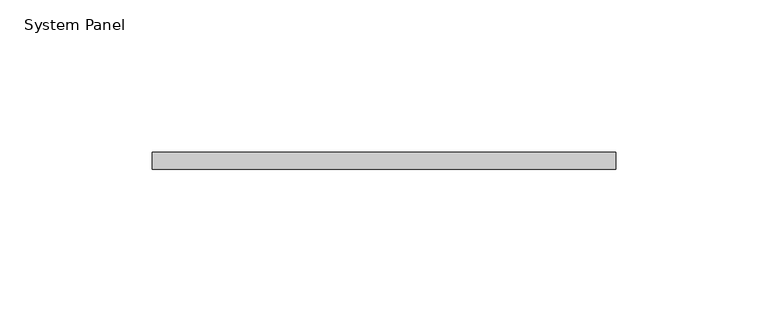
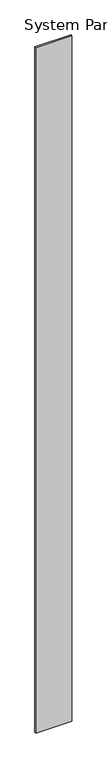
"""IFC4 building model written with IfcOpenShell, lengths in millimetres: plate geometry, System Panel."""

import ifcopenshell
import ifcopenshell.guid

model = None  # the IFC model being written
_history = None  # IfcOwnerHistory: only IFC2X3 demands one
_inside = {}  # id of a spatial element -> (the spatial element, [elements in it])
_under = {}  # id of a project, library or spatial element -> (it, [spatial elements below it])
_declared = {}  # id of a project -> (the project, [libraries it declares])
_typed = {}  # id of a type object -> (the type object, [elements of that type])
_made_of = {}  # id of a material, layer set ... -> (it, [elements and type objects made of it])


def new_model(schema):
    """Start an empty IFC model of exactly this schema.

    Asked for "IFC4X3", IfcOpenShell would pick the latest addendum, in which some entities
    have other attributes; the version numbers below select the first issue.
    IFC2X3 requires an IfcOwnerHistory on every rooted entity: one is made here for all.
    """
    global model, _history
    if schema == "IFC4X3":
        model = ifcopenshell.file(schema_version=(4, 3, 0, 0))
    else:
        model = ifcopenshell.file(schema=schema)
    _inside.clear()
    _under.clear()
    _declared.clear()
    _typed.clear()
    _made_of.clear()
    _history = None
    if model.schema == "IFC2X3":
        org = make("IfcOrganization", Name="unknown")
        user = make(
            "IfcPersonAndOrganization",
            ThePerson=make("IfcPerson", FamilyName="unknown"),
            TheOrganization=org,
        )
        app = make(
            "IfcApplication",
            ApplicationDeveloper=org,
            Version="unknown",
            ApplicationFullName="unknown",
            ApplicationIdentifier="unknown",
        )
        _history = make(
            "IfcOwnerHistory",
            OwningUser=user,
            OwningApplication=app,
            ChangeAction="ADDED",
            CreationDate=0,
        )
    return model


def make(cls, **values):
    """One entity of the class cls with the attributes given. An attribute that is None is left unset."""
    return model.create_entity(
        cls, **{name: value for name, value in values.items() if value is not None}
    )


def rooted(cls, **values):
    """An entity with a GlobalId (a new one), such as an element, a storey or a relation."""
    return make(cls, GlobalId=ifcopenshell.guid.new(), OwnerHistory=_history, **values)


def si_unit(unit_type, name, prefix=None):
    """IfcSIUnit, for example si_unit("LENGTHUNIT", "METRE", prefix="MILLI")."""
    return make("IfcSIUnit", UnitType=unit_type, Prefix=prefix, Name=name)


def assignment(units):
    """IfcUnitAssignment: the units of a project."""
    return None if units is None else make("IfcUnitAssignment", Units=units)


def point(xyz):
    """IfcCartesianPoint."""
    return None if xyz is None else make("IfcCartesianPoint", Coordinates=xyz)


def direction(xyz):
    """IfcDirection."""
    return None if xyz is None else make("IfcDirection", DirectionRatios=xyz)


def frame(location, z_axis=None, x_axis=None):
    """IfcAxis2Placement3D, a coordinate frame: its origin and axes. An axis left out is left unset."""
    return make(
        "IfcAxis2Placement3D",
        Location=point(location),
        Axis=direction(z_axis),
        RefDirection=direction(x_axis),
    )


def origin():
    """The frame at (0, 0, 0) with its axes left unset."""
    return frame((0.0, 0.0, 0.0))


def origin_with_axes():
    """The frame at (0, 0, 0) with the z axis (0, 0, 1) and the x axis (1, 0, 0) written out."""
    return frame((0.0, 0.0, 0.0), z_axis=(0.0, 0.0, 1.0), x_axis=(1.0, 0.0, 0.0))


def place(relative_to, where):
    """IfcLocalPlacement: puts the frame where relative to a parent placement (None: the world)."""
    return make(
        "IfcLocalPlacement", PlacementRelTo=relative_to, RelativePlacement=where
    )


def context(
    kind, dimensions, precision=None, world=None, true_north=None, identifier=None
):
    """IfcGeometricRepresentationContext, for example the 3D "Model" context."""
    return make(
        "IfcGeometricRepresentationContext",
        ContextIdentifier=identifier,
        ContextType=kind,
        CoordinateSpaceDimension=dimensions,
        Precision=precision,
        WorldCoordinateSystem=world,
        TrueNorth=true_north,
    )


def project(units=None, contexts=None):
    """IfcProject with its units and contexts."""
    return rooted(
        "IfcProject",
        Name="project",
        RepresentationContexts=contexts,
        UnitsInContext=assignment(units),
    )


def spatial(cls, under=None, at=None, **own):
    """A site, building, storey or space (cls), placed at a placement, below another one or the project."""
    s = rooted(cls, ObjectPlacement=at, **own)
    if under is not None:
        _under.setdefault(under.id(), (under, []))[1].append(s)
    return s


def polyline(points):
    """IfcPolyline through the points."""
    return make("IfcPolyline", Points=[point(p) for p in points])


def outline(outer, holes=None, kind="AREA"):
    """IfcArbitraryClosedProfileDef: a profile drawn as a closed curve; with holes, ...WithVoids."""
    if holes is None:
        return make("IfcArbitraryClosedProfileDef", ProfileType=kind, OuterCurve=outer)
    return make(
        "IfcArbitraryProfileDefWithVoids",
        ProfileType=kind,
        OuterCurve=outer,
        InnerCurves=holes,
    )


def extrude(swept, where, along, depth):
    """IfcExtrudedAreaSolid: the profile swept, set in the frame where, extruded along a direction by depth."""
    return make(
        "IfcExtrudedAreaSolid",
        SweptArea=swept,
        Position=where,
        ExtrudedDirection=direction(along),
        Depth=depth,
    )


def shape(context_of_items, identifier, shape_type, items):
    """IfcShapeRepresentation: the items that make up one representation, for example the "Body"."""
    return make(
        "IfcShapeRepresentation",
        ContextOfItems=context_of_items,
        RepresentationIdentifier=identifier,
        RepresentationType=shape_type,
        Items=items,
    )


def source(mapping_origin, context_of_items, identifier, shape_type, items):
    """IfcRepresentationMap: a shape defined once, which mapped items show again and again."""
    return make(
        "IfcRepresentationMap",
        MappingOrigin=mapping_origin,
        MappedRepresentation=shape(context_of_items, identifier, shape_type, items),
    )


def transform(
    local_origin,
    x_axis=None,
    y_axis=None,
    z_axis=None,
    scale=None,
    scale2=None,
    scale3=None,
    uniform=True,
):
    """IfcCartesianTransformationOperator3D, or its non-uniform kind. x_axis, y_axis, z_axis: its Axis1, 2, 3."""
    if uniform:
        return make(
            "IfcCartesianTransformationOperator3D",
            Axis1=direction(x_axis),
            Axis2=direction(y_axis),
            LocalOrigin=point(local_origin),
            Scale=scale,
            Axis3=direction(z_axis),
        )
    return make(
        "IfcCartesianTransformationOperator3DnonUniform",
        Axis1=direction(x_axis),
        Axis2=direction(y_axis),
        LocalOrigin=point(local_origin),
        Scale=scale,
        Axis3=direction(z_axis),
        Scale2=scale2,
        Scale3=scale3,
    )


def mapped(mapping_source, mapping_target):
    """IfcMappedItem: shows the shape of a source again, moved by a transform."""
    return make(
        "IfcMappedItem", MappingSource=mapping_source, MappingTarget=mapping_target
    )


def made_of(thing, what):
    """Note that an element or type object is made of a material, layer set ...; save() writes the relation."""
    if what is not None:
        _made_of.setdefault(what.id(), (what, []))[1].append(thing)
    return thing


def element(
    cls,
    number,
    at=None,
    inside=None,
    cuts=None,
    type_object=None,
    material=None,
    context=None,
    identifier="Body",
    shape_type=None,
    held_by="IfcProductDefinitionShape",
    body=None,
    shapes=None,
    **own,
):
    """One element of the class cls, such as IfcWall. Its Tag is "e" and its number.

    at: its placement. inside: the storey or other place that contains it. cuts: it is an
    opening in that element (IfcRelVoidsElement). A single representation is given by context,
    identifier, shape_type and body (its items); several are given by shapes. held_by: the class
    of the entity that holds the representations. save() writes the other relations.
    """
    e = rooted(cls, Tag="e%d" % number, ObjectPlacement=at, **own)
    if body is not None:
        shapes = [shape(context, identifier, shape_type, body)]
    if shapes is not None:
        e.Representation = make(held_by, Representations=shapes)
    if inside is not None:
        _inside.setdefault(inside.id(), (inside, []))[1].append(e)
    if cuts is not None:
        rooted(
            "IfcRelVoidsElement", RelatingBuildingElement=cuts, RelatedOpeningElement=e
        )
    if type_object is not None:
        _typed.setdefault(type_object.id(), (type_object, []))[1].append(e)
    return made_of(e, material)


def aggregate(whole, parts):
    """IfcRelAggregates: a whole, such as a stair, and the parts it consists of."""
    return rooted("IfcRelAggregates", RelatingObject=whole, RelatedObjects=parts)


def save(model, path):
    """Write the relations noted so far, then the file.

    IfcRelAggregates (storeys below a building ...), IfcRelContainedInSpatialStructure (elements
    in a storey), IfcRelDefinesByType, IfcRelAssociatesMaterial and IfcRelDeclares: one each for
    every whole, place, type object, material and project.
    """
    for whole, parts in _under.values():
        aggregate(whole, parts)
    for where, things in _inside.values():
        rooted(
            "IfcRelContainedInSpatialStructure",
            RelatedElements=things,
            RelatingStructure=where,
        )
    for kind, things in _typed.values():
        rooted("IfcRelDefinesByType", RelatedObjects=things, RelatingType=kind)
    for what, things in _made_of.values():
        rooted("IfcRelAssociatesMaterial", RelatedObjects=things, RelatingMaterial=what)
    for by, libraries in _declared.values():
        rooted("IfcRelDeclares", RelatingContext=by, RelatedDefinitions=libraries)
    model.write(path)


def system_panel_d9d3368e(model_context):
    return source(origin(), model_context, "Body", "SweptSolid", [
        extrude(outline(polyline([(76.2, 0.0), (-76.2, 0.0), (-76.2, 5.55625), (76.2, 5.55625), (76.2, 0.0)])), origin_with_axes(), (0.0, 0.0, 1.0), 3048.0),
    ])


if __name__ == "__main__":
    model = new_model("IFC4")
    model_context = context("Model", 3, world=origin())
    ifc_project = project(units=[si_unit("LENGTHUNIT", "METRE", prefix="MILLI")], contexts=[model_context])
    site = spatial("IfcSite", under=ifc_project)
    building = spatial("IfcBuilding", under=site)
    placement = place(None, origin())
    system_panel_shape = system_panel_d9d3368e(model_context)
    element("IfcPlate", 1, ObjectType="System Panel", at=placement, inside=building, context=model_context, shape_type="MappedRepresentation", body=[
        mapped(system_panel_shape, transform((0.0, 0.0, 0.0), x_axis=(1.0, 0.0, 0.0), y_axis=(0.0, 1.0, 0.0), z_axis=(0.0, 0.0, 1.0))),
    ])
    save(model, "model.ifc")
